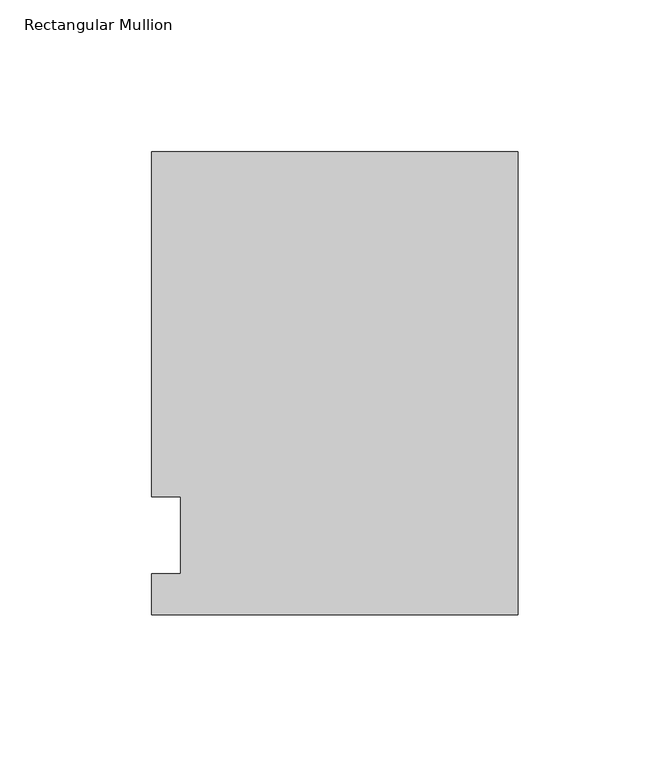
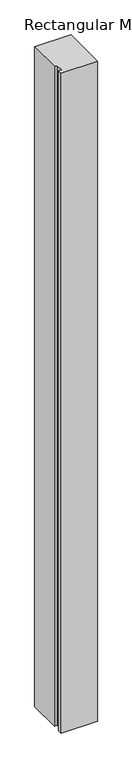
"""IFC4 building model written with IfcOpenShell, lengths in millimetres: member geometry, Rectangular Mullion."""

from ifc_helpers import new_model, si_unit, frame, origin, place, context, project, spatial, polyline, outline, extrude, source, transform, mapped, element, save


def rectangular_mullion_790d76fd(model_context):
    return source(origin(), model_context, "Body", "SweptSolid", [
        extrude(outline(polyline([(-120.65, -26.19375), (-120.65, -12.7), (-111.125, -12.7), (-111.125, 12.7), (-120.65, 12.7), (-120.65, 126.20625), (0.0, 126.20625), (0.0, -26.19375), (-120.65, -26.19375)])), frame((0.0, 0.0, -2324.1), z_axis=(0.0, 0.0, 1.0), x_axis=(1.0, 0.0, 0.0)), (0.0, 0.0, 1.0), 2324.1),
    ])


if __name__ == "__main__":
    model = new_model("IFC4")
    model_context = context("Model", 3, world=origin())
    ifc_project = project(units=[si_unit("LENGTHUNIT", "METRE", prefix="MILLI")], contexts=[model_context])
    site = spatial("IfcSite", under=ifc_project)
    building = spatial("IfcBuilding", under=site)
    placement = place(None, origin())
    rectangular_mullion_shape = rectangular_mullion_790d76fd(model_context)
    element("IfcMember", 1, ObjectType="Rectangular Mullion", at=placement, inside=building, context=model_context, shape_type="MappedRepresentation", body=[
        mapped(rectangular_mullion_shape, transform((0.0, 0.0, 0.0), x_axis=(1.0, 0.0, 0.0), y_axis=(0.0, 1.0, 0.0), z_axis=(0.0, 0.0, 1.0))),
    ])
    save(model, "model.ifc")
